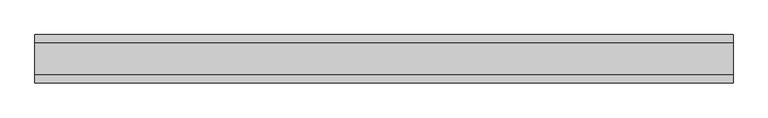
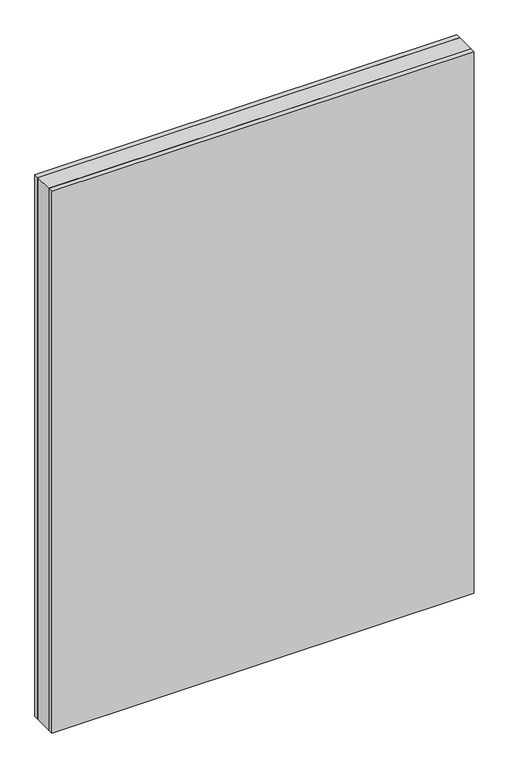
"""IFC4 building model written with IfcOpenShell, lengths in millimetres: plate geometry."""

from ifc_helpers import new_model, si_unit, origin, origin_with_axes, place, context, project, spatial, polyline, outline, extrude, source, transform, mapped, element, save


def plate_9b9a8735(model_context):
    return source(origin(), model_context, "Body", "SweptSolid", [
        extrude(outline(polyline([(539.6874999, 24.2), (539.6874999, -24.2), (-539.6874999, -24.2), (-539.6874999, 24.2), (539.6874999, 24.2)])), origin_with_axes(), (0.0, 0.0, 1.0), 1464.75),
        extrude(outline(polyline([(539.6874999, 37.2), (539.6874999, 24.2), (-539.6874999, 24.2), (-539.6874999, 37.2), (539.6874999, 37.2)])), origin_with_axes(), (0.0, 0.0, 1.0), 1464.75),
        extrude(outline(polyline([(-539.6874999, -37.2), (-539.6874999, -24.2), (539.6874999, -24.2), (539.6874999, -37.2), (-539.6874999, -37.2)])), origin_with_axes(), (0.0, 0.0, 1.0), 1464.75),
    ])


if __name__ == "__main__":
    model = new_model("IFC4")
    model_context = context("Model", 3, world=origin())
    ifc_project = project(units=[si_unit("LENGTHUNIT", "METRE", prefix="MILLI")], contexts=[model_context])
    site = spatial("IfcSite", under=ifc_project)
    building = spatial("IfcBuilding", under=site)
    placement = place(None, origin())
    plate_shape = plate_9b9a8735(model_context)
    element("IfcPlate", 1, at=placement, inside=building, context=model_context, shape_type="MappedRepresentation", body=[
        mapped(plate_shape, transform((0.0, 0.0, 0.0), x_axis=(1.0, 0.0, 0.0), y_axis=(0.0, 1.0, 0.0), z_axis=(0.0, 0.0, 1.0))),
    ])
    save(model, "model.ifc")
